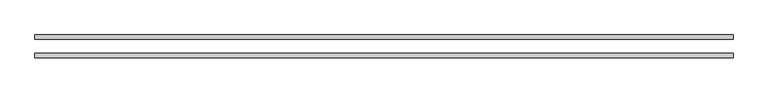
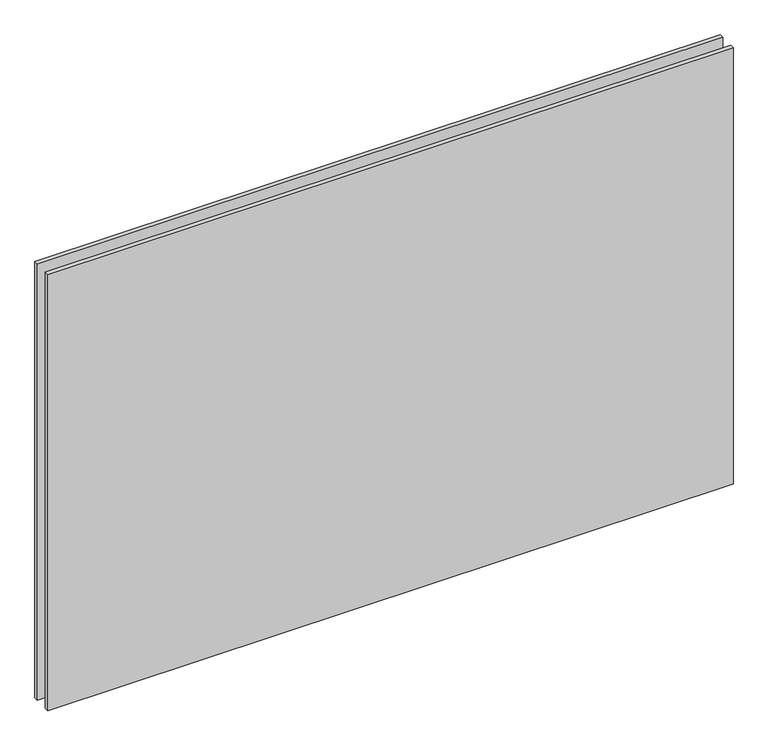
"""IFC4 building model written with IfcOpenShell, lengths in millimetres: plate geometry."""

from ifc_helpers import new_model, si_unit, origin, origin_with_axes, place, context, project, spatial, polyline, outline, extrude, source, transform, mapped, element, save


def plate_87e8e351(model_context):
    return source(origin(), model_context, "Body", "SweptSolid", [
        extrude(outline(polyline([(612.5, -48.3), (-612.5, -48.3), (-612.5, -40.3), (612.5, -40.3), (612.5, -48.3)])), origin_with_axes(), (0.0, 0.0, 1.0), 825.0),
        extrude(outline(polyline([(612.5, -16.3), (-612.5, -16.3), (-612.5, -8.3), (612.5, -8.3), (612.5, -16.3)])), origin_with_axes(), (0.0, 0.0, 1.0), 825.0),
    ])


if __name__ == "__main__":
    model = new_model("IFC4")
    model_context = context("Model", 3, world=origin())
    ifc_project = project(units=[si_unit("LENGTHUNIT", "METRE", prefix="MILLI")], contexts=[model_context])
    site = spatial("IfcSite", under=ifc_project)
    building = spatial("IfcBuilding", under=site)
    placement = place(None, origin())
    plate_shape = plate_87e8e351(model_context)
    element("IfcPlate", 1, at=placement, inside=building, context=model_context, shape_type="MappedRepresentation", body=[
        mapped(plate_shape, transform((0.0, 0.0, 0.0), x_axis=(1.0, 0.0, 0.0), y_axis=(0.0, 1.0, 0.0), z_axis=(0.0, 0.0, 1.0))),
    ])
    save(model, "model.ifc")
